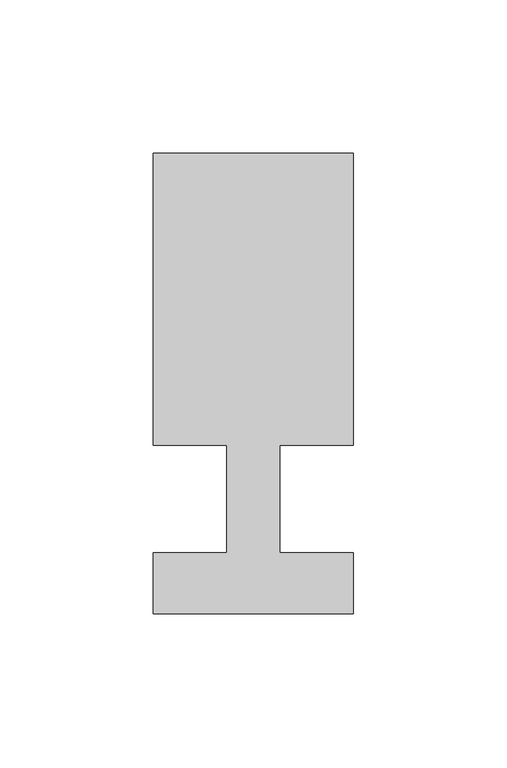
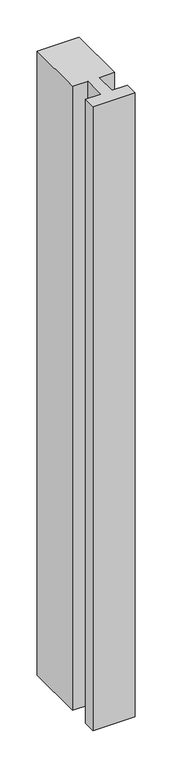
"""IFC4 building model written with IfcOpenShell, lengths in millimetres: member geometry."""

from ifc_helpers import new_model, si_unit, frame, origin, place, context, project, spatial, polyline, outline, extrude, source, transform, mapped, element, save


def member_4457285f(model_context):
    return source(origin(), model_context, "Body", "SweptSolid", [
        extrude(outline(polyline([(0.0, -37.0), (-65.0, -37.0), (-65.0, -17.0), (-41.1875, -17.0), (-41.1875, 18.0), (-65.0, 18.0), (-65.0, 113.0), (0.0, 113.0), (0.0, 18.0), (-23.8125, 18.0), (-23.8125, -17.0), (0.0, -17.0), (0.0, -37.0)])), frame((0.0, 0.0, -1022.5), z_axis=(0.0, 0.0, 1.0), x_axis=(1.0, 0.0, 0.0)), (0.0, 0.0, 1.0), 1022.5),
    ])


if __name__ == "__main__":
    model = new_model("IFC4")
    model_context = context("Model", 3, world=origin())
    ifc_project = project(units=[si_unit("LENGTHUNIT", "METRE", prefix="MILLI")], contexts=[model_context])
    site = spatial("IfcSite", under=ifc_project)
    building = spatial("IfcBuilding", under=site)
    placement = place(None, origin())
    member_shape = member_4457285f(model_context)
    element("IfcMember", 1, at=placement, inside=building, context=model_context, shape_type="MappedRepresentation", body=[
        mapped(member_shape, transform((0.0, 0.0, 0.0), x_axis=(1.0, 0.0, 0.0), y_axis=(0.0, 1.0, 0.0), z_axis=(0.0, 0.0, 1.0))),
    ])
    save(model, "model.ifc")
